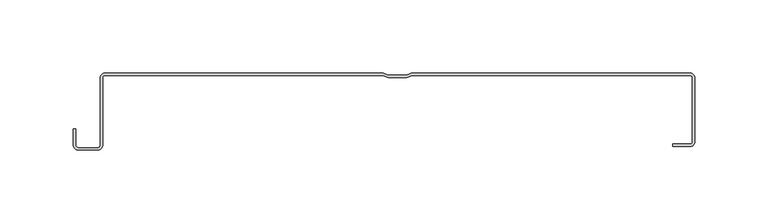
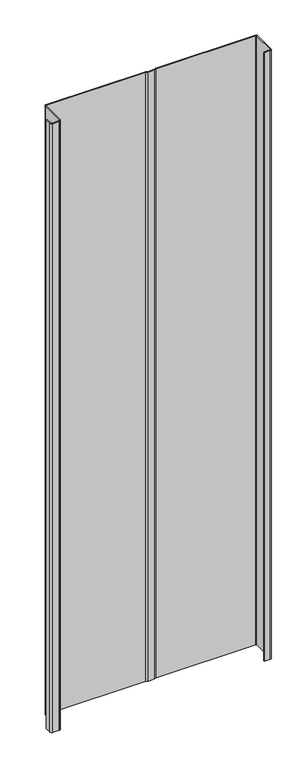
"""IFC4 building model written with IfcOpenShell, lengths in millimetres: plate geometry."""

from ifc_helpers import new_model, si_unit, point, frame_2d, origin, origin_with_axes, place, context, project, spatial, polyline, circle_curve, trimmed, segment, composite_curve, outline, extrude, source, transform, mapped, element, save


def plate_4501efb4(model_context):
    return source(origin(), model_context, "Body", "SweptSolid", [
        extrude(outline(composite_curve([segment(polyline([(-200.2481973, -2.7400216), (-200.2481973, -48.8784494)]), True, "CONTINUOUS"), segment(trimmed(circle_curve(frame_2d((-203.8791678, -48.8784494)), 3.6309705), [point((-200.2481973, -48.8784494))], [point((-203.8791678, -52.5094199))], False, "CARTESIAN"), True, "CONTINUOUS"), segment(polyline([(-203.8791678, -52.5094199), (-216.60701, -52.5094199)]), True, "CONTINUOUS"), segment(trimmed(circle_curve(frame_2d((-216.60701, -48.8784494)), 3.6309705), [point((-216.60701, -52.5094199))], [point((-220.2379805, -48.8784494))], False, "CARTESIAN"), True, "CONTINUOUS"), segment(polyline([(-220.2379805, -48.8784494), (-220.2379805, -38.1835265), (-218.6399292, -38.1835265), (-218.6399292, -48.8784494)]), True, "CONTINUOUS"), segment(trimmed(circle_curve(frame_2d((-216.60701, -48.8784494)), 2.0329192), [point((-218.6399292, -48.8784494))], [point((-216.60701, -50.9113686))], True, "CARTESIAN"), True, "CONTINUOUS"), segment(polyline([(-216.60701, -50.9113686), (-203.8791678, -50.9113686)]), True, "CONTINUOUS"), segment(trimmed(circle_curve(frame_2d((-203.8791678, -48.8784494)), 2.0329192), [point((-203.8791678, -50.9113686))], [point((-201.8462486, -48.8784494))], True, "CARTESIAN"), True, "CONTINUOUS"), segment(polyline([(-201.8462486, -48.8784494), (-201.8462486, -2.7400216)]), True, "CONTINUOUS"), segment(trimmed(circle_curve(frame_2d((-199.106227, -2.7400216)), 2.7400216), [point((-201.8462486, -2.7400216))], [point((-199.106227, 0.0))], False, "CARTESIAN"), True, "CONTINUOUS"), segment(polyline([(-199.106227, 0.0), (-8.9729283, 0.0), (-5.600684, -1.3488977), (6.7206868, -1.3488977), (10.0929311, 0.0), (200.2262298, 0.0)]), True, "CONTINUOUS"), segment(trimmed(circle_curve(frame_2d((200.2595098, -2.7402881)), 2.7404902), [point((200.2262298, 0.0))], [point((203.0, -2.7402881))], False, "CARTESIAN"), True, "CONTINUOUS"), segment(polyline([(203.0, -2.7402881), (203.0, -47.2180172)]), True, "CONTINUOUS"), segment(trimmed(circle_curve(frame_2d((200.2262298, -47.2180172)), 2.7737702), [point((203.0, -47.2180172))], [point((200.2262298, -49.9917874))], False, "CARTESIAN"), True, "CONTINUOUS"), segment(polyline([(200.2262298, -49.9917874), (188.1469081, -49.9917874), (188.1469081, -48.374053), (200.2262298, -48.374053)]), True, "CONTINUOUS"), segment(trimmed(circle_curve(frame_2d((200.2262298, -47.2180172)), 1.1560358), [point((200.2262298, -48.374053))], [point((201.3822657, -47.2180172))], True, "CARTESIAN"), True, "CONTINUOUS"), segment(polyline([(201.3822657, -47.2180172), (201.3822657, -2.7540871)]), True, "CONTINUOUS"), segment(trimmed(circle_curve(frame_2d((200.2262298, -2.7540871)), 1.1560358), [point((201.3822657, -2.7540871))], [point((200.2262298, -1.5980513))], True, "CARTESIAN"), True, "CONTINUOUS"), segment(polyline([(200.2262298, -1.5980513), (10.6168828, -1.5980513), (6.9526278, -3.0637533), (-5.832625, -3.0637533), (-9.49688, -1.5980513), (-199.106227, -1.5980513)]), True, "CONTINUOUS"), segment(trimmed(circle_curve(frame_2d((-199.106227, -2.7400216)), 1.1419703), [point((-199.106227, -1.5980513))], [point((-200.2481973, -2.7400216))], True, "CARTESIAN"), True, "CONTINUOUS")], self_intersect=False)), origin_with_axes(), (0.0, 0.0, 1.0), 1228.3559792),
    ])


if __name__ == "__main__":
    model = new_model("IFC4")
    model_context = context("Model", 3, world=origin())
    ifc_project = project(units=[si_unit("LENGTHUNIT", "METRE", prefix="MILLI")], contexts=[model_context])
    site = spatial("IfcSite", under=ifc_project)
    building = spatial("IfcBuilding", under=site)
    placement = place(None, origin())
    plate_shape = plate_4501efb4(model_context)
    element("IfcPlate", 1, at=placement, inside=building, context=model_context, shape_type="MappedRepresentation", body=[
        mapped(plate_shape, transform((0.0, 0.0, 0.0), x_axis=(1.0, 0.0, 0.0), y_axis=(0.0, 1.0, 0.0), z_axis=(0.0, 0.0, 1.0))),
    ])
    save(model, "model.ifc")
